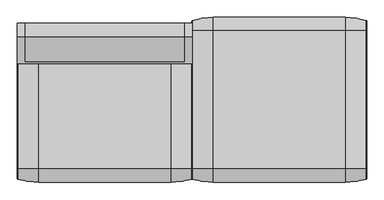
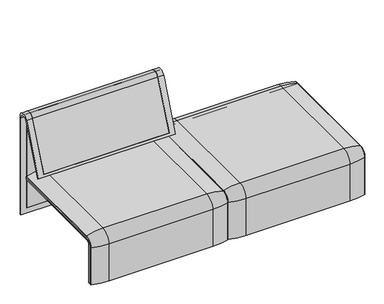
"""IFC4 building model written with IfcOpenShell, lengths in millimetres: furniture geometry."""

from ifc_helpers import new_model, si_unit, point, frame, frame_2d, origin, place, context, project, spatial, polyline, circle_curve, ellipse_curve, trimmed, segment, composite_curve, outline, extrude, source, transform, mapped, element, save
from ifc_brep_helpers import plane_surface, cylinder_surface, revolved_surface, advanced_brep


def furniture_6b119c50(model_context):
    return source(origin(), model_context, "Body", "SolidModel", [
        advanced_brep(
        [(407.9906244, 324.3858663, 366.172434), (407.9906244, -324.3858663, 366.172434), (442.8906244, -324.3858663, 366.172434), (442.8906244, 324.3858663, 366.172434), (1223.9718733, -324.3858663, 366.172434), (1223.9718733, 324.3858663, 366.172434), (1189.0718733, 324.3858663, 366.172434), (1189.0718733, -324.3858663, 366.172434), (407.9906244, -357.5, 333.0583003), (407.9906244, -357.5, 100.5089435), (1223.9718733, -357.5, 100.5089435), (1223.9718733, -357.5, 333.0583003), (1189.0718733, -357.5, 333.0583003), (1189.0718733, -357.5, 135.3766997), (442.8906244, -357.5, 135.3766997), (442.8906244, -357.5, 333.0583003), (407.9906244, 351.0, 332.6742277), (407.9906244, 351.0, 100.5089435), (1223.9718733, 351.0, 100.5089435), (1223.9718733, 351.0, 332.6742277), (1189.0718733, 351.0, 332.6742277), (1189.0718733, 351.0, 135.3766997), (442.8906244, 351.0, 135.3766997), (442.8906244, 351.0, 332.6742277), (1189.0718733, -351.0, 135.3766997), (1189.0718733, 357.5, 333.0583003), (1189.0718733, 357.5, 135.3766997), (1189.0718733, 323.7517936, 359.922434), (1189.0718733, -323.7517936, 359.922434), (1189.0718733, -351.0, 332.6742277), (442.8906244, -351.0, 135.3766997), (407.9906244, 323.7517936, 359.922434), (407.9906244, -323.7517936, 359.922434), (407.9906244, -351.0, 332.6742277), (407.9906244, -351.0, 100.5089435), (407.9906244, 357.5, 333.0583003), (407.9906244, 357.5, 100.5089435), (1223.9718733, 323.7517936, 359.922434), (1223.9718733, 357.5, 100.5089435), (1223.9718733, 357.5, 333.0583003), (1223.9718733, -351.0, 100.5089435), (1223.9718733, -351.0, 332.6742277), (1223.9718733, -323.7517936, 359.922434), (442.8906244, -351.0, 332.6742277), (442.8906244, -323.7517936, 359.922434), (442.8906244, 323.7517936, 359.922434), (442.8906244, 357.5, 333.0583003), (442.8906244, 357.5, 135.3766997)],
        [
            (0, 1),
            (1, 2),
            (2, 3),
            (3, 0),
            (4, 5),
            (5, 6),
            (6, 7),
            (7, 4),
            (8, 9),
            (9, 10),
            (10, 11),
            (11, 12),
            (12, 13),
            (13, 14),
            (14, 15),
            (15, 8),
            (16, 17),
            (17, 18),
            (18, 19),
            (19, 20),
            (20, 21),
            (21, 22),
            (22, 23),
            (23, 16),
            (24, 13),
            (12, 7, circle_curve(frame((1189.0718733, -324.3858663, 333.0583003), z_axis=(-1.0, 0.0, 0.0), x_axis=(0.0, -1.0, 0.0)), 33.1141337)),
            (6, 25, circle_curve(frame((1189.0718733, 324.3858663, 333.0583003), z_axis=(-1.0, 0.0, 0.0), x_axis=(0.0, 1.0, 0.0)), 33.1141337)),
            (25, 26),
            (26, 21),
            (20, 27, circle_curve(frame((1189.0718733, 323.7517936, 332.6742277), z_axis=(1.0, 0.0, 0.0), x_axis=(0.0, 1.0, 0.0)), 27.2482064)),
            (27, 28),
            (28, 29, circle_curve(frame((1189.0718733, -323.7517936, 332.6742277), z_axis=(1.0, 0.0, 0.0), x_axis=(0.0, -1.0, 0.0)), 27.2482064)),
            (29, 24),
            (30, 14),
            (24, 30),
            (31, 32),
            (32, 33, circle_curve(frame((407.9906244, -323.7517936, 332.6742277), z_axis=(1.0, 0.0, 0.0), x_axis=(0.0, -1.0, 0.0)), 27.2482064)),
            (33, 34),
            (34, 9),
            (8, 1, circle_curve(frame((407.9906244, -324.3858663, 333.0583003), z_axis=(-1.0, 0.0, 0.0), x_axis=(0.0, -1.0, 0.0)), 33.1141337)),
            (0, 35, circle_curve(frame((407.9906244, 324.3858663, 333.0583003), z_axis=(-1.0, 0.0, 0.0), x_axis=(0.0, 1.0, 0.0)), 33.1141337)),
            (35, 36),
            (36, 17),
            (16, 31, circle_curve(frame((407.9906244, 323.7517936, 332.6742277), z_axis=(1.0, 0.0, 0.0), x_axis=(0.0, 1.0, 0.0)), 27.2482064)),
            (37, 19, circle_curve(frame((1223.9718733, 323.7517936, 332.6742277), z_axis=(-1.0, 0.0, 0.0), x_axis=(0.0, 1.0, 0.0)), 27.2482064)),
            (18, 38),
            (38, 39),
            (39, 5, circle_curve(frame((1223.9718733, 324.3858663, 333.0583003), z_axis=(1.0, 0.0, 0.0), x_axis=(0.0, 1.0, 0.0)), 33.1141337)),
            (4, 11, circle_curve(frame((1223.9718733, -324.3858663, 333.0583003), z_axis=(1.0, 0.0, 0.0), x_axis=(0.0, -1.0, 0.0)), 33.1141337)),
            (10, 40),
            (40, 41),
            (41, 42, circle_curve(frame((1223.9718733, -323.7517936, 332.6742277), z_axis=(-1.0, 0.0, 0.0), x_axis=(0.0, -1.0, 0.0)), 27.2482064)),
            (42, 37),
            (15, 2, circle_curve(frame((442.8906244, -324.3858663, 333.0583003), z_axis=(-1.0, 0.0, 0.0), x_axis=(0.0, -1.0, 0.0)), 33.1141337)),
            (34, 40),
            (33, 43),
            (43, 30),
            (29, 41),
            (32, 44),
            (44, 43, circle_curve(frame((442.8906244, -323.7517936, 332.6742277), z_axis=(1.0, 0.0, 0.0), x_axis=(0.0, -1.0, 0.0)), 27.2482064)),
            (28, 42),
            (31, 45),
            (45, 44),
            (27, 37),
            (3, 46, circle_curve(frame((442.8906244, 324.3858663, 333.0583003), z_axis=(-1.0, 0.0, 0.0), x_axis=(0.0, 1.0, 0.0)), 33.1141337)),
            (46, 35),
            (39, 25),
            (46, 47),
            (47, 26),
            (38, 36),
            (23, 45, circle_curve(frame((442.8906244, 323.7517936, 332.6742277), z_axis=(1.0, 0.0, 0.0), x_axis=(0.0, 1.0, 0.0)), 27.2482064)),
            (22, 47),
        ],
        [
            plane_surface(frame((407.9906244, -324.3858663, 366.172434), z_axis=(0.0, 0.0, 1.0), x_axis=(1.0, 0.0, 0.0))),
            plane_surface(frame((407.9906244, -357.5, 100.5089435), z_axis=(0.0, -1.0, 0.0), x_axis=(1.0, 0.0, 0.0))),
            plane_surface(frame((407.9906244, 351.0, 100.5089435), z_axis=(0.0, -1.0, 0.0), x_axis=(1.0, 0.0, 0.0))),
            plane_surface(frame((1189.0718733, -296.9265415, 359.922434), z_axis=(-1.0, 0.0, 0.0), x_axis=(0.0, 1.0, 0.0))),
            plane_surface(frame((442.8906244, -351.0, 135.3766997), z_axis=(0.0, 0.0, 1.0), x_axis=(1.0, 0.0, 0.0))),
            plane_surface(frame((407.9906244, -296.9265415, 359.922434), z_axis=(-1.0, 0.0, 0.0), x_axis=(0.0, -1.0, 0.0))),
            plane_surface(frame((1223.9718733, -296.9265415, 359.922434), z_axis=(1.0, 0.0, 0.0), x_axis=(0.0, 1.0, 0.0))),
            cylinder_surface(frame((1223.9718733, -324.3858663, 333.0583003), z_axis=(-1.0, 0.0, 0.0), x_axis=(0.0, -1.0, 0.0)), 33.1141337),
            plane_surface(frame((407.9906244, -351.0, 100.5089435), z_axis=(0.0, 0.0, -1.0), x_axis=(1.0, 0.0, 0.0))),
            plane_surface(frame((407.9906244, -351.0, 332.6742277), z_axis=(0.0, 1.0, 0.0), x_axis=(1.0, 0.0, 0.0))),
            revolved_surface(polyline([(442.8906244, -351.0, 332.6742277), (407.9906244, -351.0, 332.6742277)]), (1223.9718733, -323.7517936, 332.6742277), (1.0, 0.0, 0.0)),
            revolved_surface(polyline([(1223.9718733, -351.0, 332.6742277), (1189.0718733, -351.0, 332.6742277)]), (1223.9718733, -323.7517936, 332.6742277), (1.0, 0.0, 0.0)),
            plane_surface(frame((407.9906244, 323.7517936, 359.922434), z_axis=(0.0, 0.0, -1.0), x_axis=(1.0, 0.0, 0.0))),
            cylinder_surface(frame((1223.9718733, 324.3858663, 333.0583003), z_axis=(-1.0, 0.0, 0.0), x_axis=(0.0, 1.0, 0.0)), 33.1141337),
            plane_surface(frame((407.9906244, 357.5, 333.0583003), z_axis=(0.0, 1.0, 0.0), x_axis=(1.0, 0.0, 0.0))),
            plane_surface(frame((407.9906244, 357.5, 100.5089435), z_axis=(0.0, 0.0, -1.0), x_axis=(1.0, 0.0, 0.0))),
            revolved_surface(polyline([(442.8906244, 351.0, 332.6742277), (407.9906244, 351.0, 332.6742277)]), (1223.9718733, 323.7517936, 332.6742277), (1.0, 0.0, 0.0)),
            revolved_surface(polyline([(1223.9718733, 351.0, 332.6742277), (1189.0718733, 351.0, 332.6742277)]), (1223.9718733, 323.7517936, 332.6742277), (1.0, 0.0, 0.0)),
            plane_surface(frame((442.8906244, -296.9265415, 359.922434), z_axis=(1.0, 0.0, 0.0), x_axis=(0.0, -1.0, 0.0))),
            plane_surface(frame((442.8906244, 357.5, 135.3766997), z_axis=(0.0, 0.0, 1.0), x_axis=(1.0, 0.0, 0.0))),
        ],
        [
            (0, [[1, 2, 3, 4]]),
            (0, [[5, 6, 7, 8]]),
            (1, [[9, 10, 11, 12, 13, 14, 15, 16]]),
            (2, [[17, 18, 19, 20, 21, 22, 23, 24]]),
            (3, [[25, -13, 26, -7, 27, 28, 29, -21, 30, 31, 32, 33]]),
            (4, [[34, -14, -25, 35]]),
            (5, [[36, 37, 38, 39, -9, 40, -1, 41, 42, 43, -17, 44]]),
            (6, [[45, -19, 46, 47, 48, -5, 49, -11, 50, 51, 52, 53]]),
            (7, [[-40, -16, 54, -2]]),
            (7, [[-49, -8, -26, -12]]),
            (8, [[-39, 55, -50, -10]]),
            (9, [[-38, 56, 57, -35, -33, 58, -51, -55]]),
            (10, [[-37, 59, 60, -56]]),
            (11, [[-52, -58, -32, 61]]),
            (12, [[-36, 62, 63, -59]]),
            (12, [[-53, -61, -31, 64]]),
            (13, [[-41, -4, 65, 66]]),
            (13, [[-48, 67, -27, -6]]),
            (14, [[-42, -66, 68, 69, -28, -67, -47, 70]]),
            (15, [[-43, -70, -46, -18]]),
            (16, [[-44, -24, 71, -62]]),
            (17, [[-45, -64, -30, -20]]),
            (18, [[72, -68, -65, -3, -54, -15, -34, -57, -60, -63, -71, -23]]),
            (19, [[-72, -22, -29, -69]]),
        ],
    ),
        extrude(outline(composite_curve([segment(polyline([(323.7517936, 359.922434), (-323.7517936, 359.922434)]), True, "CONTINUOUS"), segment(trimmed(circle_curve(frame_2d((-323.7517936, 332.6742277)), 27.2482064), [point((-323.7517936, 359.922434))], [point((-351.0, 332.6742277))], True, "CARTESIAN"), True, "CONTINUOUS"), segment(polyline([(-351.0, 332.6742277), (-351.0, 135.3766997), (-357.5, 135.3766997), (-357.5, 333.0583003)]), True, "CONTINUOUS"), segment(trimmed(circle_curve(frame_2d((-324.3858663, 333.0583003)), 33.1141337), [point((-357.5, 333.0583003))], [point((-324.3858663, 366.172434))], False, "CARTESIAN"), True, "CONTINUOUS"), segment(polyline([(-324.3858663, 366.172434), (324.3858663, 366.172434)]), True, "CONTINUOUS"), segment(trimmed(circle_curve(frame_2d((324.3858663, 333.0583003)), 33.1141337), [point((324.3858663, 366.172434))], [point((357.5, 333.0583003))], False, "CARTESIAN"), True, "CONTINUOUS"), segment(polyline([(357.5, 333.0583003), (357.5, 135.3766997), (351.0, 135.3766997), (351.0, 332.6742277)]), True, "CONTINUOUS"), segment(trimmed(circle_curve(frame_2d((323.7517936, 332.6742277)), 27.2482064), [point((351.0, 332.6742277))], [point((323.7517936, 359.922434))], True, "CARTESIAN"), True, "CONTINUOUS")], self_intersect=False)), frame((442.8906244, 0.0, 0.0), z_axis=(1.0, 0.0, 0.0), x_axis=(0.0, 1.0, 0.0)), (0.0, 0.0, 1.0), 746.1812488),
        advanced_brep(
        [(407.9906244, -368.7793679, 100.5089435), (407.9906244, -357.5, 100.5089435), (1223.9718733, -357.5, 100.5089435), (1223.9718733, -368.7793679, 100.5089435), (1221.8332448, -371.6530483, 100.5089435), (1123.9718733, -386.0043559, 100.5089435), (507.9906244, -386.0043559, 100.5089435), (410.1292529, -371.6530483, 100.5089435), (407.9906244, 368.7793679, 100.5089435), (410.1292529, 371.6530483, 100.5089435), (507.9906244, 386.0043559, 100.5089435), (1123.9718733, 386.0043559, 100.5089435), (1221.8332448, 371.6530483, 100.5089435), (1223.9718733, 368.7793679, 100.5089435), (1223.9718733, 357.5, 100.5089435), (407.9906244, 357.5, 100.5089435), (407.9906244, -368.7793679, 333.0583003), (407.9906244, -324.3858663, 377.4518019), (407.9906244, 324.3858663, 377.4518019), (407.9906244, 368.7793679, 333.0583003), (407.9906244, 357.5, 333.0583003), (407.9906244, 324.3858663, 366.172434), (407.9906244, -324.3858663, 366.172434), (407.9906244, -357.5, 333.0583003), (1223.9718733, -357.5, 333.0583003), (1123.9718733, -386.0043559, 333.0583003), (507.9906244, -386.0043559, 333.0583003), (410.1292529, -371.6530483, 333.0583003), (1223.9718733, -324.3858663, 366.172434), (507.9906244, -324.3858663, 394.67679), (1123.9718733, -324.3858663, 394.67679), (410.1292529, -324.3858663, 380.3254823), (1223.9718733, 324.3858663, 366.172434), (1123.9718733, 324.3858663, 394.67679), (507.9906244, 324.3858663, 394.67679), (410.1292529, 324.3858663, 380.3254823), (1223.9718733, 357.5, 333.0583003), (507.9906244, 386.0043559, 333.0583003), (1123.9718733, 386.0043559, 333.0583003), (410.1292529, 371.6530483, 333.0583003), (1223.9718733, 368.7793679, 333.0583003), (1223.9718733, 324.3858663, 377.4518019), (1223.9718733, -324.3858663, 377.4518019), (1223.9718733, -368.7793679, 333.0583003), (1221.8332448, -371.6530483, 333.0583003), (1221.8332448, -324.3858663, 380.3254823), (1221.8332448, 324.3858663, 380.3254823), (1221.8332448, 371.6530483, 333.0583003)],
        [
            (0, 1),
            (1, 2),
            (2, 3),
            (3, 4, circle_curve(frame((1220.9718733, -368.7793679, 100.5089435), z_axis=(0.0, 0.0, -1.0), x_axis=(-1.0, 0.0, 0.0)), 3.0)),
            (4, 5, circle_curve(frame((1123.9718733, -45.1710226, 100.5089435), z_axis=(0.0, 0.0, -1.0), x_axis=(0.0, 1.0, 0.0)), 340.8333333)),
            (5, 6),
            (6, 7, circle_curve(frame((507.9906244, -45.1710226, 100.5089435), z_axis=(0.0, 0.0, -1.0), x_axis=(0.0, 1.0, 0.0)), 340.8333333)),
            (7, 0, circle_curve(frame((410.9906244, -368.7793679, 100.5089435), z_axis=(0.0, 0.0, -1.0), x_axis=(1.0, 0.0, 0.0)), 3.0)),
            (8, 9, circle_curve(frame((410.9906244, 368.7793679, 100.5089435), z_axis=(0.0, 0.0, -1.0), x_axis=(1.0, 0.0, 0.0)), 3.0)),
            (9, 10, circle_curve(frame((507.9906244, 45.1710226, 100.5089435), z_axis=(0.0, 0.0, -1.0), x_axis=(0.0, -1.0, 0.0)), 340.8333333)),
            (10, 11),
            (11, 12, circle_curve(frame((1123.9718733, 45.1710226, 100.5089435), z_axis=(0.0, 0.0, -1.0), x_axis=(0.0, -1.0, 0.0)), 340.8333333)),
            (12, 13, circle_curve(frame((1220.9718733, 368.7793679, 100.5089435), z_axis=(0.0, 0.0, -1.0), x_axis=(-1.0, 0.0, 0.0)), 3.0)),
            (13, 14),
            (14, 15),
            (15, 8),
            (0, 16),
            (16, 17, circle_curve(frame((407.9906244, -324.3858663, 333.0583003), z_axis=(-1.0, 0.0, 0.0), x_axis=(0.0, -1.0, 0.0)), 44.3935016)),
            (17, 18),
            (18, 19, circle_curve(frame((407.9906244, 324.3858663, 333.0583003), z_axis=(-1.0, 0.0, 0.0), x_axis=(0.0, 0.0, 1.0)), 44.3935016)),
            (19, 8),
            (15, 20),
            (20, 21, circle_curve(frame((407.9906244, 324.3858663, 333.0583003), z_axis=(1.0, 0.0, 0.0), x_axis=(0.0, 0.0, 1.0)), 33.1141337)),
            (21, 22),
            (22, 23, circle_curve(frame((407.9906244, -324.3858663, 333.0583003), z_axis=(1.0, 0.0, 0.0), x_axis=(0.0, -1.0, 0.0)), 33.1141337)),
            (23, 1),
            (23, 24),
            (24, 2),
            (5, 25),
            (25, 26),
            (26, 6),
            (26, 27, circle_curve(frame((507.9906244, -45.1710226, 333.0583003), z_axis=(0.0, 0.0, -1.0), x_axis=(0.0, 1.0, 0.0)), 340.8333333)),
            (27, 7),
            (27, 16, circle_curve(frame((410.9906244, -368.7793679, 333.0583003), z_axis=(0.0, 0.0, -1.0), x_axis=(1.0, 0.0, 0.0)), 3.0)),
            (28, 24, circle_curve(frame((1223.9718733, -324.3858663, 333.0583003), z_axis=(1.0, 0.0, 0.0), x_axis=(0.0, -1.0, 0.0)), 33.1141337)),
            (22, 28),
            (29, 26, circle_curve(frame((507.9906244, -324.3858663, 333.0583003), z_axis=(1.0, 0.0, 0.0), x_axis=(0.0, -1.0, 0.0)), 61.6184897)),
            (25, 30, circle_curve(frame((1123.9718733, -324.3858663, 333.0583003), z_axis=(-1.0, 0.0, 0.0), x_axis=(0.0, -1.0, 0.0)), 61.6184897)),
            (30, 29),
            (31, 27, circle_curve(frame((410.1292529, -324.3858663, 333.0583003), z_axis=(1.0, 0.0, 0.0), x_axis=(0.0, -1.0, 0.0)), 47.267182)),
            (29, 31, circle_curve(frame((507.9906244, -324.3858663, 53.8434566), z_axis=(0.0, -1.0, 0.0), x_axis=(0.0, 0.0, -1.0)), 340.8333333)),
            (31, 17, circle_curve(frame((410.9906244, -324.3858663, 377.4518019), z_axis=(0.0, -1.0, 0.0), x_axis=(1.0, 0.0, 0.0)), 3.0)),
            (21, 32),
            (32, 28),
            (30, 33),
            (33, 34),
            (34, 29),
            (34, 35, circle_curve(frame((507.9906244, 324.3858663, 53.8434566), z_axis=(0.0, -1.0, 0.0), x_axis=(0.0, 0.0, -1.0)), 340.8333333)),
            (35, 31),
            (35, 18, circle_curve(frame((410.9906244, 324.3858663, 377.4518019), z_axis=(0.0, -1.0, 0.0), x_axis=(1.0, 0.0, 0.0)), 3.0)),
            (36, 32, circle_curve(frame((1223.9718733, 324.3858663, 333.0583003), z_axis=(1.0, 0.0, 0.0), x_axis=(0.0, 0.0, 1.0)), 33.1141337)),
            (20, 36),
            (37, 34, circle_curve(frame((507.9906244, 324.3858663, 333.0583003), z_axis=(1.0, 0.0, 0.0), x_axis=(0.0, 0.0, 1.0)), 61.6184897)),
            (33, 38, circle_curve(frame((1123.9718733, 324.3858663, 333.0583003), z_axis=(-1.0, 0.0, 0.0), x_axis=(0.0, 0.0, 1.0)), 61.6184897)),
            (38, 37),
            (39, 35, circle_curve(frame((410.1292529, 324.3858663, 333.0583003), z_axis=(1.0, 0.0, 0.0), x_axis=(0.0, 0.0, 1.0)), 47.267182)),
            (37, 39, circle_curve(frame((507.9906244, 45.1710226, 333.0583003), z_axis=(0.0, 0.0, 1.0), x_axis=(0.0, -1.0, 0.0)), 340.8333333)),
            (39, 19, circle_curve(frame((410.9906244, 368.7793679, 333.0583003), z_axis=(0.0, 0.0, 1.0), x_axis=(1.0, 0.0, 0.0)), 3.0)),
            (14, 36),
            (38, 11),
            (10, 37),
            (9, 39),
            (13, 40),
            (40, 41, circle_curve(frame((1223.9718733, 324.3858663, 333.0583003), z_axis=(1.0, 0.0, 0.0), x_axis=(0.0, 0.0, 1.0)), 44.3935016)),
            (41, 42),
            (42, 43, circle_curve(frame((1223.9718733, -324.3858663, 333.0583003), z_axis=(1.0, 0.0, 0.0), x_axis=(0.0, -1.0, 0.0)), 44.3935016)),
            (43, 3),
            (43, 44, circle_curve(frame((1220.9718733, -368.7793679, 333.0583003), z_axis=(0.0, 0.0, -1.0), x_axis=(-1.0, 0.0, 0.0)), 3.0)),
            (44, 4),
            (44, 25, circle_curve(frame((1123.9718733, -45.1710226, 333.0583003), z_axis=(0.0, 0.0, -1.0), x_axis=(0.0, 1.0, 0.0)), 340.8333333)),
            (45, 44, circle_curve(frame((1221.8332448, -324.3858663, 333.0583003), z_axis=(1.0, 0.0, 0.0), x_axis=(0.0, -1.0, 0.0)), 47.267182)),
            (42, 45, circle_curve(frame((1220.9718733, -324.3858663, 377.4518019), z_axis=(0.0, -1.0, 0.0), x_axis=(-1.0, 0.0, 0.0)), 3.0)),
            (45, 30, circle_curve(frame((1123.9718733, -324.3858663, 53.8434566), z_axis=(0.0, -1.0, 0.0), x_axis=(0.0, 0.0, -1.0)), 340.8333333)),
            (41, 46, circle_curve(frame((1220.9718733, 324.3858663, 377.4518019), z_axis=(0.0, -1.0, 0.0), x_axis=(-1.0, 0.0, 0.0)), 3.0)),
            (46, 45),
            (46, 33, circle_curve(frame((1123.9718733, 324.3858663, 53.8434566), z_axis=(0.0, -1.0, 0.0), x_axis=(0.0, 0.0, -1.0)), 340.8333333)),
            (47, 46, circle_curve(frame((1221.8332448, 324.3858663, 333.0583003), z_axis=(1.0, 0.0, 0.0), x_axis=(0.0, 0.0, 1.0)), 47.267182)),
            (40, 47, circle_curve(frame((1220.9718733, 368.7793679, 333.0583003), z_axis=(0.0, 0.0, 1.0), x_axis=(-1.0, 0.0, 0.0)), 3.0)),
            (47, 38, circle_curve(frame((1123.9718733, 45.1710226, 333.0583003), z_axis=(0.0, 0.0, 1.0), x_axis=(0.0, -1.0, 0.0)), 340.8333333)),
            (12, 47),
        ],
        [
            plane_surface(frame((407.9906244, -357.5, 100.5089435), z_axis=(0.0, 0.0, -1.0), x_axis=(1.0, 0.0, 0.0))),
            plane_surface(frame((407.9906244, 357.5, 100.5089435), z_axis=(0.0, 0.0, -1.0), x_axis=(1.0, 0.0, 0.0))),
            plane_surface(frame((407.9906244, -368.7793679, 100.5089435), z_axis=(-1.0, 0.0, 0.0), x_axis=(0.0, 0.0, 1.0))),
            plane_surface(frame((407.9906244, -357.5, 100.5089435), z_axis=(0.0, 1.0, 0.0), x_axis=(0.0, 0.0, 1.0))),
            plane_surface(frame((1123.9718733, -386.0043559, 100.5089435), z_axis=(0.0, -1.0, 0.0), x_axis=(0.0, 0.0, 1.0))),
            cylinder_surface(frame((507.9906244, -45.1710226, 100.5089435), z_axis=(0.0, 0.0, -1.0), x_axis=(0.0, 1.0, 0.0)), 340.8333333),
            cylinder_surface(frame((410.9906244, -368.7793679, 100.5089435), z_axis=(0.0, 0.0, -1.0), x_axis=(1.0, 0.0, 0.0)), 3.0),
            revolved_surface(polyline([(407.9906244, -357.5, 333.0583003), (1223.9718733, -357.5, 333.0583003)]), (407.9906244, -324.3858663, 333.0583003), (-1.0, 0.0, 0.0)),
            cylinder_surface(frame((407.9906244, -324.3858663, 333.0583003), z_axis=(-1.0, 0.0, 0.0), x_axis=(0.0, -1.0, 0.0)), 61.6184897),
            revolved_surface(trimmed(ellipse_curve(frame((507.9906244, -45.1710226, 333.0583003), z_axis=(0.0, 0.0, -1.0), x_axis=(0.0, 1.0, 0.0)), 340.8333333, 340.8333333), [point((507.9906244, -386.0043559, 333.0583003))], [point((410.1292529, -371.6530483, 333.0583003))], True, "CARTESIAN"), (407.9906244, -324.3858663, 333.0583003), (-1.0, 0.0, 0.0)),
            revolved_surface(trimmed(ellipse_curve(frame((410.9906244, -368.7793679, 333.0583003), z_axis=(0.0, 0.0, -1.0), x_axis=(1.0, 0.0, 0.0)), 3.0, 3.0), [point((410.1292529, -371.6530483, 333.0583003))], [point((407.9906244, -368.7793679, 333.0583003))], True, "CARTESIAN"), (407.9906244, -324.3858663, 333.0583003), (-1.0, 0.0, 0.0)),
            plane_surface(frame((407.9906244, -324.3858663, 366.172434), z_axis=(0.0, 0.0, -1.0), x_axis=(0.0, 1.0, 0.0))),
            plane_surface(frame((1123.9718733, -324.3858663, 394.67679), z_axis=(0.0, 0.0, 1.0), x_axis=(0.0, 1.0, 0.0))),
            cylinder_surface(frame((507.9906244, -324.3858663, 53.8434566), z_axis=(0.0, -1.0, 0.0), x_axis=(0.0, 0.0, -1.0)), 340.8333333),
            cylinder_surface(frame((410.9906244, -324.3858663, 377.4518019), z_axis=(0.0, -1.0, 0.0), x_axis=(1.0, 0.0, 0.0)), 3.0),
            revolved_surface(polyline([(407.9906244, 324.3858663, 366.17243399999995), (1223.9718733, 324.3858663, 366.17243399999995)]), (407.9906244, 324.3858663, 333.0583003), (-1.0, 0.0, 0.0)),
            cylinder_surface(frame((407.9906244, 324.3858663, 333.0583003), z_axis=(-1.0, 0.0, 0.0), x_axis=(0.0, 0.0, 1.0)), 61.6184897),
            revolved_surface(trimmed(ellipse_curve(frame((507.9906244, 324.3858663, 53.8434566), z_axis=(0.0, -1.0, 0.0), x_axis=(0.0, 0.0, -1.0)), 340.8333333, 340.8333333), [point((507.9906244, 324.3858663, 394.67679))], [point((410.1292529, 324.3858663, 380.3254823))], True, "CARTESIAN"), (407.9906244, 324.3858663, 333.0583003), (-1.0, 0.0, 0.0)),
            revolved_surface(trimmed(ellipse_curve(frame((410.9906244, 324.3858663, 377.4518019), z_axis=(0.0, -1.0, 0.0), x_axis=(1.0, 0.0, 0.0)), 3.0, 3.0), [point((410.1292529, 324.3858663, 380.3254823))], [point((407.9906244, 324.3858663, 377.4518019))], True, "CARTESIAN"), (407.9906244, 324.3858663, 333.0583003), (-1.0, 0.0, 0.0)),
            plane_surface(frame((407.9906244, 357.5, 333.0583003), z_axis=(0.0, -1.0, 0.0), x_axis=(0.0, 0.0, -1.0))),
            plane_surface(frame((1123.9718733, 386.0043559, 333.0583003), z_axis=(0.0, 1.0, 0.0), x_axis=(0.0, 0.0, -1.0))),
            cylinder_surface(frame((507.9906244, 45.1710226, 333.0583003), z_axis=(0.0, 0.0, 1.0), x_axis=(0.0, -1.0, 0.0)), 340.8333333),
            cylinder_surface(frame((410.9906244, 368.7793679, 333.0583003), z_axis=(0.0, 0.0, 1.0), x_axis=(1.0, 0.0, 0.0)), 3.0),
            plane_surface(frame((1223.9718733, -357.5, 100.5089435), z_axis=(1.0, 0.0, 0.0), x_axis=(0.0, 0.0, 1.0))),
            cylinder_surface(frame((1220.9718733, -368.7793679, 100.5089435), z_axis=(0.0, 0.0, -1.0), x_axis=(-1.0, 0.0, 0.0)), 3.0),
            cylinder_surface(frame((1123.9718733, -45.1710226, 100.5089435), z_axis=(0.0, 0.0, -1.0), x_axis=(0.0, 1.0, 0.0)), 340.8333333),
            revolved_surface(trimmed(ellipse_curve(frame((1220.9718733, -368.7793679, 333.0583003), z_axis=(0.0, 0.0, -1.0), x_axis=(-1.0, 0.0, 0.0)), 3.0, 3.0), [point((1223.9718733, -368.7793679, 333.0583003))], [point((1221.8332448, -371.6530483, 333.0583003))], True, "CARTESIAN"), (407.9906244, -324.3858663, 333.0583003), (-1.0, 0.0, 0.0)),
            revolved_surface(trimmed(ellipse_curve(frame((1123.9718733, -45.1710226, 333.0583003), z_axis=(0.0, 0.0, -1.0), x_axis=(0.0, 1.0, 0.0)), 340.8333333, 340.8333333), [point((1221.8332448, -371.6530483, 333.0583003))], [point((1123.9718733, -386.0043559, 333.0583003))], True, "CARTESIAN"), (407.9906244, -324.3858663, 333.0583003), (-1.0, 0.0, 0.0)),
            cylinder_surface(frame((1220.9718733, -324.3858663, 377.4518019), z_axis=(0.0, -1.0, 0.0), x_axis=(-1.0, 0.0, 0.0)), 3.0),
            cylinder_surface(frame((1123.9718733, -324.3858663, 53.8434566), z_axis=(0.0, -1.0, 0.0), x_axis=(0.0, 0.0, -1.0)), 340.8333333),
            revolved_surface(trimmed(ellipse_curve(frame((1220.9718733, 324.3858663, 377.4518019), z_axis=(0.0, -1.0, 0.0), x_axis=(-1.0, 0.0, 0.0)), 3.0, 3.0), [point((1223.9718733, 324.3858663, 377.4518019))], [point((1221.8332448, 324.3858663, 380.3254823))], True, "CARTESIAN"), (407.9906244, 324.3858663, 333.0583003), (-1.0, 0.0, 0.0)),
            revolved_surface(trimmed(ellipse_curve(frame((1123.9718733, 324.3858663, 53.8434566), z_axis=(0.0, -1.0, 0.0), x_axis=(0.0, 0.0, -1.0)), 340.8333333, 340.8333333), [point((1221.8332448, 324.3858663, 380.3254823))], [point((1123.9718733, 324.3858663, 394.67679))], True, "CARTESIAN"), (407.9906244, 324.3858663, 333.0583003), (-1.0, 0.0, 0.0)),
            cylinder_surface(frame((1220.9718733, 368.7793679, 333.0583003), z_axis=(0.0, 0.0, 1.0), x_axis=(-1.0, 0.0, 0.0)), 3.0),
            cylinder_surface(frame((1123.9718733, 45.1710226, 333.0583003), z_axis=(0.0, 0.0, 1.0), x_axis=(0.0, -1.0, 0.0)), 340.8333333),
        ],
        [
            (0, [[1, 2, 3, 4, 5, 6, 7, 8]]),
            (1, [[9, 10, 11, 12, 13, 14, 15, 16]]),
            (2, [[-1, 17, 18, 19, 20, 21, -16, 22, 23, 24, 25, 26]]),
            (3, [[-2, -26, 27, 28]]),
            (4, [[-6, 29, 30, 31]]),
            (5, [[-7, -31, 32, 33]]),
            (6, [[-8, -33, 34, -17]]),
            (7, [[35, -27, -25, 36]]),
            (8, [[37, -30, 38, 39]]),
            (9, [[40, -32, -37, 41]]),
            (10, [[-18, -34, -40, 42]]),
            (11, [[-36, -24, 43, 44]]),
            (12, [[-39, 45, 46, 47]]),
            (13, [[-41, -47, 48, 49]]),
            (14, [[-42, -49, 50, -19]]),
            (15, [[51, -43, -23, 52]]),
            (16, [[53, -46, 54, 55]]),
            (17, [[56, -48, -53, 57]]),
            (18, [[-20, -50, -56, 58]]),
            (19, [[-52, -22, -15, 59]]),
            (20, [[-55, 60, -11, 61]]),
            (21, [[-57, -61, -10, 62]]),
            (22, [[-58, -62, -9, -21]]),
            (23, [[-3, -28, -35, -44, -51, -59, -14, 63, 64, 65, 66, 67]]),
            (24, [[-4, -67, 68, 69]]),
            (25, [[-5, -69, 70, -29]]),
            (26, [[71, -68, -66, 72]]),
            (27, [[-38, -70, -71, 73]]),
            (28, [[-72, -65, 74, 75]]),
            (29, [[-73, -75, 76, -45]]),
            (30, [[77, -74, -64, 78]]),
            (31, [[-54, -76, -77, 79]]),
            (32, [[-78, -63, -13, 80]]),
            (33, [[-79, -80, -12, -60]]),
        ],
    ),
        advanced_brep(
        [(-407.9906244, 295.0, 359.922434), (-407.9906244, -323.7517936, 359.922434), (-407.9906244, -351.0, 332.6742277), (-407.9906244, -351.0, 100.5089435), (-407.9906244, -357.5, 100.5089435), (-407.9906244, -357.5, 333.0583003), (-407.9906244, -324.3858663, 366.172434), (-407.9906244, 295.0, 366.172434), (407.9906244, 295.0, 359.922434), (407.9906244, 295.0, 366.172434), (407.9906244, -324.3858663, 366.172434), (407.9906244, -357.5, 333.0583003), (407.9906244, -357.5, 100.5089435), (407.9906244, -351.0, 100.5089435), (407.9906244, -351.0, 332.6742277), (407.9906244, -323.7517936, 359.922434), (-373.0906244, -324.3858663, 366.172434), (-373.0906244, 260.0, 366.172434), (373.0906244, 260.0, 366.172434), (373.0906244, -324.3858663, 366.172434), (-373.0906244, -357.5, 333.0583003), (373.0906244, -357.5, 333.0583003), (373.0906244, -357.5, 135.3766997), (-373.0906244, -357.5, 135.3766997), (-373.0906244, -351.0, 332.6742277), (-373.0906244, -351.0, 135.3766997), (373.0906244, -351.0, 135.3766997), (373.0906244, -351.0, 332.6742277), (-373.0906244, -323.7517936, 359.922434), (373.0906244, -323.7517936, 359.922434), (373.0906244, 260.0, 359.922434), (-373.0906244, 260.0, 359.922434)],
        [
            (0, 1),
            (1, 2, circle_curve(frame((-407.9906244, -323.7517936, 332.6742277), z_axis=(1.0, 0.0, 0.0), x_axis=(0.0, -1.0, 0.0)), 27.2482064)),
            (2, 3),
            (3, 4),
            (4, 5),
            (5, 6, circle_curve(frame((-407.9906244, -324.3858663, 333.0583003), z_axis=(-1.0, 0.0, 0.0), x_axis=(0.0, -1.0, 0.0)), 33.1141337)),
            (6, 7),
            (7, 0),
            (8, 9),
            (9, 10),
            (10, 11, circle_curve(frame((407.9906244, -324.3858663, 333.0583003), z_axis=(1.0, 0.0, 0.0), x_axis=(0.0, -1.0, 0.0)), 33.1141337)),
            (11, 12),
            (12, 13),
            (13, 14),
            (14, 15, circle_curve(frame((407.9906244, -323.7517936, 332.6742277), z_axis=(-1.0, 0.0, 0.0), x_axis=(0.0, -1.0, 0.0)), 27.2482064)),
            (15, 8),
            (7, 9),
            (8, 0),
            (6, 16),
            (16, 17),
            (17, 18),
            (18, 19),
            (19, 10),
            (5, 20),
            (20, 16, circle_curve(frame((-373.0906244, -324.3858663, 333.0583003), z_axis=(-1.0, 0.0, 0.0), x_axis=(0.0, -1.0, 0.0)), 33.1141337)),
            (19, 21, circle_curve(frame((373.0906244, -324.3858663, 333.0583003), z_axis=(1.0, 0.0, 0.0), x_axis=(0.0, -1.0, 0.0)), 33.1141337)),
            (21, 11),
            (4, 12),
            (21, 22),
            (22, 23),
            (23, 20),
            (3, 13),
            (2, 24),
            (24, 25),
            (25, 26),
            (26, 27),
            (27, 14),
            (1, 28),
            (28, 24, circle_curve(frame((-373.0906244, -323.7517936, 332.6742277), z_axis=(1.0, 0.0, 0.0), x_axis=(0.0, -1.0, 0.0)), 27.2482064)),
            (27, 29, circle_curve(frame((373.0906244, -323.7517936, 332.6742277), z_axis=(-1.0, 0.0, 0.0), x_axis=(0.0, -1.0, 0.0)), 27.2482064)),
            (29, 15),
            (29, 30),
            (30, 31),
            (31, 28),
            (31, 17),
            (23, 25),
            (26, 22),
            (18, 30),
        ],
        [
            plane_surface(frame((-407.9906244, -296.9265415, 359.922434), z_axis=(-1.0, 0.0, 0.0), x_axis=(0.0, -1.0, 0.0))),
            plane_surface(frame((407.9906244, -296.9265415, 359.922434), z_axis=(1.0, 0.0, 0.0), x_axis=(0.0, 1.0, 0.0))),
            plane_surface(frame((-407.9906244, 295.0, 366.172434), z_axis=(0.0, 1.0, 0.0), x_axis=(1.0, 0.0, 0.0))),
            plane_surface(frame((-407.9906244, -324.3858663, 366.172434), z_axis=(0.0, 0.0, 1.0), x_axis=(1.0, 0.0, 0.0))),
            cylinder_surface(frame((407.9906244, -324.3858663, 333.0583003), z_axis=(-1.0, 0.0, 0.0), x_axis=(0.0, -1.0, 0.0)), 33.1141337),
            plane_surface(frame((-407.9906244, -357.5, 100.5089435), z_axis=(0.0, -1.0, 0.0), x_axis=(1.0, 0.0, 0.0))),
            plane_surface(frame((-407.9906244, -351.0, 100.5089435), z_axis=(0.0, 0.0, -1.0), x_axis=(1.0, 0.0, 0.0))),
            plane_surface(frame((-407.9906244, -351.0, 332.6742277), z_axis=(0.0, 1.0, 0.0), x_axis=(1.0, 0.0, 0.0))),
            revolved_surface(polyline([(-373.0906244, -351.0, 332.6742277), (-407.9906244, -351.0, 332.6742277)]), (407.9906244, -323.7517936, 332.6742277), (1.0, 0.0, 0.0)),
            revolved_surface(polyline([(407.9906244, -351.0, 332.6742277), (373.0906244, -351.0, 332.6742277)]), (407.9906244, -323.7517936, 332.6742277), (1.0, 0.0, 0.0)),
            plane_surface(frame((-407.9906244, 295.0, 359.922434), z_axis=(0.0, 0.0, -1.0), x_axis=(1.0, 0.0, 0.0))),
            plane_surface(frame((-373.0906244, -296.9265415, 359.922434), z_axis=(1.0, 0.0, 0.0), x_axis=(0.0, -1.0, 0.0))),
            plane_surface(frame((373.0906244, -296.9265415, 359.922434), z_axis=(-1.0, 0.0, 0.0), x_axis=(0.0, 1.0, 0.0))),
            plane_surface(frame((-373.0906244, 260.0, 366.172434), z_axis=(0.0, -1.0, 0.0), x_axis=(1.0, 0.0, 0.0))),
            plane_surface(frame((-373.0906244, -351.0, 135.3766997), z_axis=(0.0, 0.0, 1.0), x_axis=(1.0, 0.0, 0.0))),
        ],
        [
            (0, [[1, 2, 3, 4, 5, 6, 7, 8]]),
            (1, [[9, 10, 11, 12, 13, 14, 15, 16]]),
            (2, [[-8, 17, -9, 18]]),
            (3, [[-7, 19, 20, 21, 22, 23, -10, -17]]),
            (4, [[-6, 24, 25, -19]]),
            (4, [[-11, -23, 26, 27]]),
            (5, [[-5, 28, -12, -27, 29, 30, 31, -24]]),
            (6, [[-4, 32, -13, -28]]),
            (7, [[-3, 33, 34, 35, 36, 37, -14, -32]]),
            (8, [[-2, 38, 39, -33]]),
            (9, [[-15, -37, 40, 41]]),
            (10, [[-1, -18, -16, -41, 42, 43, 44, -38]]),
            (11, [[45, -20, -25, -31, 46, -34, -39, -44]]),
            (12, [[47, -29, -26, -22, 48, -42, -40, -36]]),
            (13, [[-45, -43, -48, -21]]),
            (14, [[-46, -30, -47, -35]]),
        ],
    ),
        extrude(outline(composite_curve([segment(polyline([(260.0, 359.922434), (-323.7517936, 359.922434)]), True, "CONTINUOUS"), segment(trimmed(circle_curve(frame_2d((-323.7517936, 332.6742277)), 27.2482064), [point((-323.7517936, 359.922434))], [point((-351.0, 332.6742277))], True, "CARTESIAN"), True, "CONTINUOUS"), segment(polyline([(-351.0, 332.6742277), (-351.0, 135.3766997), (-357.5, 135.3766997), (-357.5, 333.0583003)]), True, "CONTINUOUS"), segment(trimmed(circle_curve(frame_2d((-324.3858663, 333.0583003)), 33.1141337), [point((-357.5, 333.0583003))], [point((-324.3858663, 366.172434))], False, "CARTESIAN"), True, "CONTINUOUS"), segment(polyline([(-324.3858663, 366.172434), (260.0, 366.172434), (260.0, 359.922434)]), True, "CONTINUOUS")], self_intersect=False)), frame((-373.0906244, 0.0, 0.0), z_axis=(1.0, 0.0, 0.0), x_axis=(0.0, 1.0, 0.0)), (0.0, 0.0, 1.0), 746.1812488),
        advanced_brep(
        [(-407.9906244, -368.7793679, 100.5089435), (-407.9906244, -357.5, 100.5089435), (407.9906244, -357.5, 100.5089435), (407.9906244, -368.7793679, 100.5089435), (405.8519959, -371.6530483, 100.5089435), (307.9906244, -386.0043559, 100.5089435), (-307.9906244, -386.0043559, 100.5089435), (-405.8519959, -371.6530483, 100.5089435), (-407.9906244, 295.0, 377.4518019), (-405.8519959, 295.0, 380.3254823), (-307.9906244, 295.0, 394.67679), (307.9906244, 295.0, 394.67679), (405.8519959, 295.0, 380.3254823), (407.9906244, 295.0, 377.4518019), (407.9906244, 295.0, 366.172434), (-407.9906244, 295.0, 366.172434), (-407.9906244, -368.7793679, 333.0583003), (-407.9906244, -324.3858663, 377.4518019), (-407.9906244, -324.3858663, 366.172434), (-407.9906244, -357.5, 333.0583003), (407.9906244, -357.5, 333.0583003), (307.9906244, -386.0043559, 333.0583003), (-307.9906244, -386.0043559, 333.0583003), (-405.8519959, -371.6530483, 333.0583003), (407.9906244, -324.3858663, 366.172434), (-307.9906244, -324.3858663, 394.67679), (307.9906244, -324.3858663, 394.67679), (-405.8519959, -324.3858663, 380.3254823), (407.9906244, -324.3858663, 377.4518019), (407.9906244, -368.7793679, 333.0583003), (405.8519959, -371.6530483, 333.0583003), (405.8519959, -324.3858663, 380.3254823)],
        [
            (0, 1),
            (1, 2),
            (2, 3),
            (3, 4, circle_curve(frame((404.9906244, -368.7793679, 100.5089435), z_axis=(0.0, 0.0, -1.0), x_axis=(-1.0, 0.0, 0.0)), 3.0)),
            (4, 5, circle_curve(frame((307.9906244, -45.1710226, 100.5089435), z_axis=(0.0, 0.0, -1.0), x_axis=(0.0, 1.0, 0.0)), 340.8333333)),
            (5, 6),
            (6, 7, circle_curve(frame((-307.9906244, -45.1710226, 100.5089435), z_axis=(0.0, 0.0, -1.0), x_axis=(0.0, 1.0, 0.0)), 340.8333333)),
            (7, 0, circle_curve(frame((-404.9906244, -368.7793679, 100.5089435), z_axis=(0.0, 0.0, -1.0), x_axis=(1.0, 0.0, 0.0)), 3.0)),
            (8, 9, circle_curve(frame((-404.9906244, 295.0, 377.4518019), z_axis=(0.0, 1.0, 0.0), x_axis=(1.0, 0.0, 0.0)), 3.0)),
            (9, 10, circle_curve(frame((-307.9906244, 295.0, 53.8434566), z_axis=(0.0, 1.0, 0.0), x_axis=(0.0, 0.0, -1.0)), 340.8333333)),
            (10, 11),
            (11, 12, circle_curve(frame((307.9906244, 295.0, 53.8434566), z_axis=(0.0, 1.0, 0.0), x_axis=(0.0, 0.0, -1.0)), 340.8333333)),
            (12, 13, circle_curve(frame((404.9906244, 295.0, 377.4518019), z_axis=(0.0, 1.0, 0.0), x_axis=(-1.0, 0.0, 0.0)), 3.0)),
            (13, 14),
            (14, 15),
            (15, 8),
            (0, 16),
            (16, 17, circle_curve(frame((-407.9906244, -324.3858663, 333.0583003), z_axis=(-1.0, 0.0, 0.0), x_axis=(0.0, -1.0, 0.0)), 44.3935016)),
            (17, 8),
            (15, 18),
            (18, 19, circle_curve(frame((-407.9906244, -324.3858663, 333.0583003), z_axis=(1.0, 0.0, 0.0), x_axis=(0.0, -1.0, 0.0)), 33.1141337)),
            (19, 1),
            (19, 20),
            (20, 2),
            (5, 21),
            (21, 22),
            (22, 6),
            (22, 23, circle_curve(frame((-307.9906244, -45.1710226, 333.0583003), z_axis=(0.0, 0.0, -1.0), x_axis=(0.0, 1.0, 0.0)), 340.8333333)),
            (23, 7),
            (23, 16, circle_curve(frame((-404.9906244, -368.7793679, 333.0583003), z_axis=(0.0, 0.0, -1.0), x_axis=(1.0, 0.0, 0.0)), 3.0)),
            (24, 20, circle_curve(frame((407.9906244, -324.3858663, 333.0583003), z_axis=(1.0, 0.0, 0.0), x_axis=(0.0, -1.0, 0.0)), 33.1141337)),
            (18, 24),
            (25, 22, circle_curve(frame((-307.9906244, -324.3858663, 333.0583003), z_axis=(1.0, 0.0, 0.0), x_axis=(0.0, -1.0, 0.0)), 61.6184897)),
            (21, 26, circle_curve(frame((307.9906244, -324.3858663, 333.0583003), z_axis=(-1.0, 0.0, 0.0), x_axis=(0.0, -1.0, 0.0)), 61.6184897)),
            (26, 25),
            (27, 23, circle_curve(frame((-405.8519959, -324.3858663, 333.0583003), z_axis=(1.0, 0.0, 0.0), x_axis=(0.0, -1.0, 0.0)), 47.267182)),
            (25, 27, circle_curve(frame((-307.9906244, -324.3858663, 53.8434566), z_axis=(0.0, -1.0, 0.0), x_axis=(0.0, 0.0, -1.0)), 340.8333333)),
            (27, 17, circle_curve(frame((-404.9906244, -324.3858663, 377.4518019), z_axis=(0.0, -1.0, 0.0), x_axis=(1.0, 0.0, 0.0)), 3.0)),
            (14, 24),
            (26, 11),
            (10, 25),
            (9, 27),
            (13, 28),
            (28, 29, circle_curve(frame((407.9906244, -324.3858663, 333.0583003), z_axis=(1.0, 0.0, 0.0), x_axis=(0.0, -1.0, 0.0)), 44.3935016)),
            (29, 3),
            (29, 30, circle_curve(frame((404.9906244, -368.7793679, 333.0583003), z_axis=(0.0, 0.0, -1.0), x_axis=(-1.0, 0.0, 0.0)), 3.0)),
            (30, 4),
            (30, 21, circle_curve(frame((307.9906244, -45.1710226, 333.0583003), z_axis=(0.0, 0.0, -1.0), x_axis=(0.0, 1.0, 0.0)), 340.8333333)),
            (31, 30, circle_curve(frame((405.8519959, -324.3858663, 333.0583003), z_axis=(1.0, 0.0, 0.0), x_axis=(0.0, -1.0, 0.0)), 47.267182)),
            (28, 31, circle_curve(frame((404.9906244, -324.3858663, 377.4518019), z_axis=(0.0, -1.0, 0.0), x_axis=(-1.0, 0.0, 0.0)), 3.0)),
            (31, 26, circle_curve(frame((307.9906244, -324.3858663, 53.8434566), z_axis=(0.0, -1.0, 0.0), x_axis=(0.0, 0.0, -1.0)), 340.8333333)),
            (12, 31),
        ],
        [
            plane_surface(frame((-407.9906244, -357.5, 100.5089435), z_axis=(0.0, 0.0, -1.0), x_axis=(1.0, 0.0, 0.0))),
            plane_surface(frame((-407.9906244, 295.0, 366.172434), z_axis=(0.0, 1.0, 0.0), x_axis=(1.0, 0.0, 0.0))),
            plane_surface(frame((-407.9906244, -368.7793679, 100.5089435), z_axis=(-1.0, 0.0, 0.0), x_axis=(0.0, 0.0, 1.0))),
            plane_surface(frame((-407.9906244, -357.5, 100.5089435), z_axis=(0.0, 1.0, 0.0), x_axis=(0.0, 0.0, 1.0))),
            plane_surface(frame((307.9906244, -386.0043559, 100.5089435), z_axis=(0.0, -1.0, 0.0), x_axis=(0.0, 0.0, 1.0))),
            cylinder_surface(frame((-307.9906244, -45.1710226, 100.5089435), z_axis=(0.0, 0.0, -1.0), x_axis=(0.0, 1.0, 0.0)), 340.8333333),
            cylinder_surface(frame((-404.9906244, -368.7793679, 100.5089435), z_axis=(0.0, 0.0, -1.0), x_axis=(1.0, 0.0, 0.0)), 3.0),
            revolved_surface(polyline([(-407.9906244, -357.5, 333.0583003), (407.9906244, -357.5, 333.0583003)]), (-407.9906244, -324.3858663, 333.0583003), (-1.0, 0.0, 0.0)),
            cylinder_surface(frame((-407.9906244, -324.3858663, 333.0583003), z_axis=(-1.0, 0.0, 0.0), x_axis=(0.0, -1.0, 0.0)), 61.6184897),
            revolved_surface(trimmed(ellipse_curve(frame((-307.9906244, -45.1710226, 333.0583003), z_axis=(0.0, 0.0, -1.0), x_axis=(0.0, 1.0, 0.0)), 340.8333333, 340.8333333), [point((-307.9906244, -386.0043559, 333.0583003))], [point((-405.8519959, -371.6530483, 333.0583003))], True, "CARTESIAN"), (-407.9906244, -324.3858663, 333.0583003), (-1.0, 0.0, 0.0)),
            revolved_surface(trimmed(ellipse_curve(frame((-404.9906244, -368.7793679, 333.0583003), z_axis=(0.0, 0.0, -1.0), x_axis=(1.0, 0.0, 0.0)), 3.0, 3.0), [point((-405.8519959, -371.6530483, 333.0583003))], [point((-407.9906244, -368.7793679, 333.0583003))], True, "CARTESIAN"), (-407.9906244, -324.3858663, 333.0583003), (-1.0, 0.0, 0.0)),
            plane_surface(frame((-407.9906244, -324.3858663, 366.172434), z_axis=(0.0, 0.0, -1.0), x_axis=(0.0, 1.0, 0.0))),
            plane_surface(frame((307.9906244, -324.3858663, 394.67679), z_axis=(0.0, 0.0, 1.0), x_axis=(0.0, 1.0, 0.0))),
            cylinder_surface(frame((-307.9906244, -324.3858663, 53.8434566), z_axis=(0.0, -1.0, 0.0), x_axis=(0.0, 0.0, -1.0)), 340.8333333),
            cylinder_surface(frame((-404.9906244, -324.3858663, 377.4518019), z_axis=(0.0, -1.0, 0.0), x_axis=(1.0, 0.0, 0.0)), 3.0),
            plane_surface(frame((407.9906244, -357.5, 100.5089435), z_axis=(1.0, 0.0, 0.0), x_axis=(0.0, 0.0, 1.0))),
            cylinder_surface(frame((404.9906244, -368.7793679, 100.5089435), z_axis=(0.0, 0.0, -1.0), x_axis=(-1.0, 0.0, 0.0)), 3.0),
            cylinder_surface(frame((307.9906244, -45.1710226, 100.5089435), z_axis=(0.0, 0.0, -1.0), x_axis=(0.0, 1.0, 0.0)), 340.8333333),
            revolved_surface(trimmed(ellipse_curve(frame((404.9906244, -368.7793679, 333.0583003), z_axis=(0.0, 0.0, -1.0), x_axis=(-1.0, 0.0, 0.0)), 3.0, 3.0), [point((407.9906244, -368.7793679, 333.0583003))], [point((405.8519959, -371.6530483, 333.0583003))], True, "CARTESIAN"), (-407.9906244, -324.3858663, 333.0583003), (-1.0, 0.0, 0.0)),
            revolved_surface(trimmed(ellipse_curve(frame((307.9906244, -45.1710226, 333.0583003), z_axis=(0.0, 0.0, -1.0), x_axis=(0.0, 1.0, 0.0)), 340.8333333, 340.8333333), [point((405.8519959, -371.6530483, 333.0583003))], [point((307.9906244, -386.0043559, 333.0583003))], True, "CARTESIAN"), (-407.9906244, -324.3858663, 333.0583003), (-1.0, 0.0, 0.0)),
            cylinder_surface(frame((404.9906244, -324.3858663, 377.4518019), z_axis=(0.0, -1.0, 0.0), x_axis=(-1.0, 0.0, 0.0)), 3.0),
            cylinder_surface(frame((307.9906244, -324.3858663, 53.8434566), z_axis=(0.0, -1.0, 0.0), x_axis=(0.0, 0.0, -1.0)), 340.8333333),
        ],
        [
            (0, [[1, 2, 3, 4, 5, 6, 7, 8]]),
            (1, [[9, 10, 11, 12, 13, 14, 15, 16]]),
            (2, [[-1, 17, 18, 19, -16, 20, 21, 22]]),
            (3, [[-2, -22, 23, 24]]),
            (4, [[-6, 25, 26, 27]]),
            (5, [[-7, -27, 28, 29]]),
            (6, [[-8, -29, 30, -17]]),
            (7, [[31, -23, -21, 32]]),
            (8, [[33, -26, 34, 35]]),
            (9, [[36, -28, -33, 37]]),
            (10, [[-18, -30, -36, 38]]),
            (11, [[-32, -20, -15, 39]]),
            (12, [[-35, 40, -11, 41]]),
            (13, [[-37, -41, -10, 42]]),
            (14, [[-38, -42, -9, -19]]),
            (15, [[-3, -24, -31, -39, -14, 43, 44, 45]]),
            (16, [[-4, -45, 46, 47]]),
            (17, [[-5, -47, 48, -25]]),
            (18, [[49, -46, -44, 50]]),
            (19, [[-34, -48, -49, 51]]),
            (20, [[-50, -43, -13, 52]]),
            (21, [[-51, -52, -12, -40]]),
        ],
    ),
        advanced_brep(
        [(408.0071685, 351.0000061, 101.8476716), (408.0071685, 359.7858817, 101.8476716), (408.0071685, 359.7858817, 720.3417731), (408.0071685, 292.4403877, 733.7122262), (408.0071685, 170.1966807, 437.98305), (408.0071685, 175.0204081, 435.9866665), (408.0071685, 296.2458652, 723.9869215), (408.0071685, 351.0000061, 712.9272623), (-407.9740803, 351.0000061, 101.8476716), (-407.9740803, 351.0000061, 712.9272623), (-407.9740803, 296.2720241, 723.9759107), (-407.9740803, 175.0204081, 435.9866665), (-407.9740803, 170.1966807, 437.98305), (-407.9740803, 292.4403877, 733.7122262), (-407.9740803, 359.7858817, 720.3417731), (-407.9740803, 359.7858817, 101.8476716), (373.0906244, 292.4403877, 733.7122262), (373.0906244, 176.0980387, 452.25948), (-373.0906244, 176.0980387, 452.25948), (-373.0906244, 292.4403877, 733.7122262), (-373.0906244, 296.2458652, 723.9869215), (-373.0906244, 181.0136548, 450.2250668), (373.0906244, 181.0136548, 450.2250668), (373.0906244, 296.2458652, 723.9869215), (373.0906244, 351.0000061, 712.9272623), (373.0906244, 351.0000061, 135.3766997), (-373.0906244, 351.0000061, 135.3766997), (-373.0906244, 351.0000061, 712.9272623), (-373.0906244, 359.7858817, 720.3417731), (-373.0906244, 359.7858817, 135.3766997), (373.0906244, 359.7858817, 135.3766997), (373.0906244, 359.7858817, 720.3417731)],
        [
            (0, 1),
            (1, 2),
            (2, 3, circle_curve(frame((408.0071685, 324.7858817, 720.3417731), z_axis=(1.0, 0.0, 0.0), x_axis=(0.0, -1.0, 0.0)), 35.0)),
            (3, 4),
            (4, 5),
            (5, 6),
            (6, 7, circle_curve(frame((408.0071685, 322.520748, 712.9272623), z_axis=(-1.0, 0.0, 0.0), x_axis=(0.0, -1.0, 0.0)), 28.479258)),
            (7, 0),
            (8, 9),
            (9, 10, circle_curve(frame((-407.9740803, 322.520748, 712.9272623), z_axis=(1.0, 0.0, 0.0), x_axis=(0.0, -1.0, 0.0)), 28.479258)),
            (10, 11),
            (11, 12),
            (12, 13),
            (13, 14, circle_curve(frame((-407.9740803, 324.7858817, 720.3417731), z_axis=(-1.0, 0.0, 0.0), x_axis=(0.0, -1.0, 0.0)), 35.0)),
            (14, 15),
            (15, 8),
            (3, 16),
            (16, 17),
            (17, 18),
            (18, 19),
            (19, 13),
            (12, 4),
            (11, 5),
            (10, 20),
            (20, 21),
            (21, 22),
            (22, 23),
            (23, 6),
            (7, 24),
            (24, 25),
            (25, 26),
            (26, 27),
            (27, 9),
            (8, 0),
            (15, 1),
            (14, 28),
            (28, 29),
            (29, 30),
            (30, 31),
            (31, 2),
            (31, 16, circle_curve(frame((373.0906244, 324.7858817, 720.3417731), z_axis=(1.0, 0.0, 0.0), x_axis=(0.0, -1.0, 0.0)), 35.0)),
            (19, 28, circle_curve(frame((-373.0906244, 324.7858817, 720.3417731), z_axis=(-1.0, 0.0, 0.0), x_axis=(0.0, -1.0, 0.0)), 35.0)),
            (23, 24, circle_curve(frame((373.0906244, 322.520748, 712.9272623), z_axis=(-1.0, 0.0, 0.0), x_axis=(0.0, -1.0, 0.0)), 28.479258)),
            (27, 20, circle_curve(frame((-373.0906244, 322.520748, 712.9272623), z_axis=(1.0, 0.0, 0.0), x_axis=(0.0, -1.0, 0.0)), 28.479258)),
            (22, 17),
            (30, 25),
            (26, 29),
            (18, 21),
        ],
        [
            plane_surface(frame((408.0071685, 359.7858817, 101.8476716), z_axis=(1.0, 0.0, 0.0), x_axis=(0.0, 1.0, 0.0))),
            plane_surface(frame((-407.9740803, 359.7858817, 101.8476716), z_axis=(-1.0, 0.0, 0.0), x_axis=(0.0, -1.0, 0.0))),
            plane_surface(frame((408.0071685, 292.4403877, 733.7122262), z_axis=(0.0, -0.9241569717933176, 0.3820129467515535), x_axis=(-1.0, 0.0, 0.0))),
            plane_surface(frame((408.0071685, 170.1966807, 437.98305), z_axis=(0.0, -0.38241039441983893, -0.9239925812687368), x_axis=(-1.0, 0.0, 0.0))),
            plane_surface(frame((408.0071685, 175.0204081, 435.9866665), z_axis=(0.0, 0.921678643444566, -0.3879542218073993), x_axis=(-1.0, 0.0, 0.0))),
            plane_surface(frame((408.0071685, 351.0000061, 712.9272623), z_axis=(0.0, -1.0, 0.0), x_axis=(-1.0, 0.0, 0.0))),
            plane_surface(frame((408.0071685, 351.0000061, 101.8476716), z_axis=(0.0, 0.0, -1.0), x_axis=(-1.0, 0.0, 0.0))),
            plane_surface(frame((408.0071685, 359.7858817, 101.8476716), z_axis=(0.0, 1.0, 0.0), x_axis=(-1.0, 0.0, 0.0))),
            cylinder_surface(frame((-407.9740803, 324.7858817, 720.3417731), z_axis=(1.0, 0.0, 0.0), x_axis=(0.0, -1.0, 0.0)), 35.0),
            revolved_surface(polyline([(373.09062439999997, 294.04149, 712.9272623), (408.0071685, 294.04149, 712.9272623)]), (-407.9740803, 322.520748, 712.9272623), (-1.0, 0.0, 0.0)),
            revolved_surface(polyline([(-407.9740803, 294.04149, 712.9272623), (-373.0906244, 294.04149, 712.9272623)]), (-407.9740803, 322.520748, 712.9272623), (-1.0, 0.0, 0.0)),
            plane_surface(frame((373.0906244, 359.7858817, 135.3766997), z_axis=(-1.0, 0.0, 0.0), x_axis=(0.0, 1.0, 0.0))),
            plane_surface(frame((-373.0906244, 359.7858817, 135.3766997), z_axis=(1.0, 0.0, 0.0), x_axis=(0.0, -1.0, 0.0))),
            plane_surface(frame((373.0906244, 166.9120641, 456.0612553), z_axis=(0.0, 0.38241039441982605, 0.9239925812687422), x_axis=(-1.0, 0.0, 0.0))),
            plane_surface(frame((373.0906244, 344.7858817, 135.3766997), z_axis=(0.0, 0.0, 1.0), x_axis=(-1.0, 0.0, 0.0))),
        ],
        [
            (0, [[1, 2, 3, 4, 5, 6, 7, 8]]),
            (1, [[9, 10, 11, 12, 13, 14, 15, 16]]),
            (2, [[-4, 17, 18, 19, 20, 21, -13, 22]]),
            (3, [[-5, -22, -12, 23]]),
            (4, [[-6, -23, -11, 24, 25, 26, 27, 28]]),
            (5, [[-8, 29, 30, 31, 32, 33, -9, 34]]),
            (6, [[-1, -34, -16, 35]]),
            (7, [[-2, -35, -15, 36, 37, 38, 39, 40]]),
            (8, [[-3, -40, 41, -17]]),
            (8, [[-14, -21, 42, -36]]),
            (9, [[-7, -28, 43, -29]]),
            (10, [[-10, -33, 44, -24]]),
            (11, [[45, -18, -41, -39, 46, -30, -43, -27]]),
            (12, [[47, -37, -42, -20, 48, -25, -44, -32]]),
            (13, [[-45, -26, -48, -19]]),
            (14, [[-46, -38, -47, -31]]),
        ],
    ),
        advanced_brep(
        [(373.0906244, 351.0000061, 135.3766997), (373.0906244, 359.7858817, 135.3766997), (373.0906244, 359.7858817, 720.3417731), (373.0906244, 292.4403877, 733.7122262), (373.0906244, 176.0980387, 452.25948), (373.0906244, 181.0136548, 450.2250668), (373.0906244, 296.2458652, 723.9869215), (373.0906244, 351.0000061, 712.9272623), (-373.0906244, 351.0000061, 135.3766997), (-373.0906244, 351.0000061, 712.9272623), (-373.0906244, 296.2720241, 723.9759107), (-373.0906244, 181.0136548, 450.2250668), (-373.0906244, 176.0980387, 452.25948), (-373.0906244, 292.4403877, 733.7122262), (-373.0906244, 359.7858817, 720.3417731), (-373.0906244, 359.7858817, 135.3766997)],
        [
            (0, 1),
            (1, 2),
            (2, 3, circle_curve(frame((373.0906244, 324.7858817, 720.3417731), z_axis=(1.0, 0.0, 0.0), x_axis=(0.0, -1.0, 0.0)), 35.0)),
            (3, 4),
            (4, 5),
            (5, 6),
            (6, 7, circle_curve(frame((373.0906244, 322.520748, 712.9272623), z_axis=(-1.0, 0.0, 0.0), x_axis=(0.0, -1.0, 0.0)), 28.479258)),
            (7, 0),
            (8, 9),
            (9, 10, circle_curve(frame((-373.0906244, 322.520748, 712.9272623), z_axis=(1.0, 0.0, 0.0), x_axis=(0.0, -1.0, 0.0)), 28.479258)),
            (10, 11),
            (11, 12),
            (12, 13),
            (13, 14, circle_curve(frame((-373.0906244, 324.7858817, 720.3417731), z_axis=(-1.0, 0.0, 0.0), x_axis=(0.0, -1.0, 0.0)), 35.0)),
            (14, 15),
            (15, 8),
            (3, 13),
            (12, 4),
            (11, 5),
            (10, 6),
            (7, 9),
            (8, 0),
            (15, 1),
            (14, 2),
        ],
        [
            plane_surface(frame((373.0906244, 359.7858817, 135.3766997), z_axis=(1.0, 0.0, 0.0), x_axis=(0.0, 1.0, 0.0))),
            plane_surface(frame((-373.0906244, 359.7858817, 135.3766997), z_axis=(-1.0, 0.0, 0.0), x_axis=(0.0, -1.0, 0.0))),
            plane_surface(frame((373.0906244, 292.4403877, 733.7122262), z_axis=(0.0, -0.9241569717933176, 0.3820129467515535), x_axis=(-1.0, 0.0, 0.0))),
            plane_surface(frame((373.0906244, 176.0980387, 452.25948), z_axis=(0.0, -0.38241039441982716, -0.9239925812687417), x_axis=(-1.0, 0.0, 0.0))),
            plane_surface(frame((373.0906244, 181.0136548, 450.2250668), z_axis=(0.0, 0.921678643444566, -0.3879542218073993), x_axis=(-1.0, 0.0, 0.0))),
            plane_surface(frame((373.0906244, 351.0000061, 712.9272623), z_axis=(0.0, -1.0, 0.0), x_axis=(-1.0, 0.0, 0.0))),
            plane_surface(frame((373.0906244, 351.0000061, 135.3766997), z_axis=(0.0, 0.0, -1.0), x_axis=(-1.0, 0.0, 0.0))),
            plane_surface(frame((373.0906244, 359.7858817, 135.3766997), z_axis=(0.0, 1.0, 0.0), x_axis=(-1.0, 0.0, 0.0))),
            cylinder_surface(frame((-373.0906244, 324.7858817, 720.3417731), z_axis=(1.0, 0.0, 0.0), x_axis=(0.0, -1.0, 0.0)), 35.0),
            revolved_surface(polyline([(-373.0906244, 294.04149, 712.9272623), (373.0906244, 294.04149, 712.9272623)]), (-373.0906244, 322.520748, 712.9272623), (-1.0, 0.0, 0.0)),
        ],
        [
            (0, [[1, 2, 3, 4, 5, 6, 7, 8]]),
            (1, [[9, 10, 11, 12, 13, 14, 15, 16]]),
            (2, [[-4, 17, -13, 18]]),
            (3, [[-5, -18, -12, 19]]),
            (4, [[-6, -19, -11, 20]]),
            (5, [[-8, 21, -9, 22]]),
            (6, [[-1, -22, -16, 23]]),
            (7, [[-2, -23, -15, 24]]),
            (8, [[-3, -24, -14, -17]]),
            (9, [[-7, -20, -10, -21]]),
        ],
    ),
    ])


if __name__ == "__main__":
    model = new_model("IFC4")
    model_context = context("Model", 3, world=origin())
    ifc_project = project(units=[si_unit("LENGTHUNIT", "METRE", prefix="MILLI")], contexts=[model_context])
    site = spatial("IfcSite", under=ifc_project)
    building = spatial("IfcBuilding", under=site)
    placement = place(None, origin())
    furniture_shape = furniture_6b119c50(model_context)
    element("IfcFurniture", 1, at=placement, inside=building, context=model_context, shape_type="MappedRepresentation", body=[
        mapped(furniture_shape, transform((0.0, 0.0, 0.0), x_axis=(1.0, 0.0, 0.0), y_axis=(0.0, 1.0, 0.0), z_axis=(0.0, 0.0, 1.0))),
    ])
    save(model, "model.ifc")
